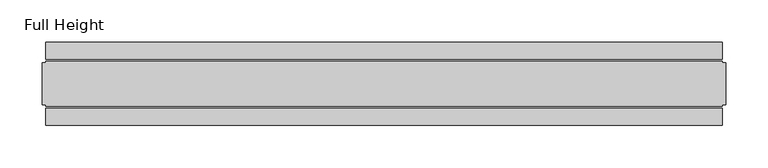
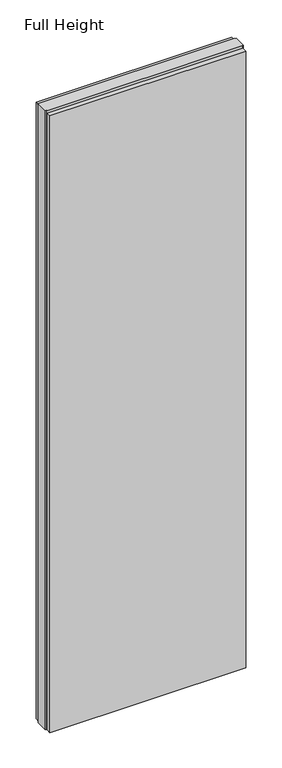
"""IFC4 building model written with IfcOpenShell, lengths in millimetres: plate geometry, Full Height."""

from ifc_helpers import new_model, si_unit, origin, origin_with_axes, place, context, project, spatial, polyline, outline, extrude, source, transform, mapped, element, save


def full_height_c7b2a05e(model_context):
    return source(origin(), model_context, "Body", "SweptSolid", [
        extrude(outline(polyline([(401.828, 28.956), (-401.828, 28.956), (-401.828, 49.53), (401.828, 49.53), (401.828, 28.956)])), origin_with_axes(), (0.0, 0.0, 1.0), 2679.192),
        extrude(outline(polyline([(401.828, -28.956), (401.828, -49.53), (-401.828, -49.53), (-401.828, -28.956), (401.828, -28.956)])), origin_with_axes(), (0.0, 0.0, 1.0), 2679.192),
        extrude(outline(polyline([(401.828, -25.146), (401.828, -26.67), (-401.828, -26.67), (-401.828, -25.146), (-406.4, -25.146), (-406.4, 25.146), (-401.828, 25.146), (-401.828, 26.67), (401.828, 26.67), (401.828, 25.146), (406.4, 25.146), (406.4, -25.146), (401.828, -25.146)])), origin_with_axes(), (0.0, 0.0, 1.0), 2688.336),
    ])


if __name__ == "__main__":
    model = new_model("IFC4")
    model_context = context("Model", 3, world=origin())
    ifc_project = project(units=[si_unit("LENGTHUNIT", "METRE", prefix="MILLI")], contexts=[model_context])
    site = spatial("IfcSite", under=ifc_project)
    building = spatial("IfcBuilding", under=site)
    placement = place(None, origin())
    full_height_shape = full_height_c7b2a05e(model_context)
    element("IfcPlate", 1, ObjectType="Full Height", at=placement, inside=building, context=model_context, shape_type="MappedRepresentation", body=[
        mapped(full_height_shape, transform((0.0, 0.0, 0.0), x_axis=(1.0, 0.0, 0.0), y_axis=(0.0, 1.0, 0.0), z_axis=(0.0, 0.0, 1.0))),
    ])
    save(model, "model.ifc")
